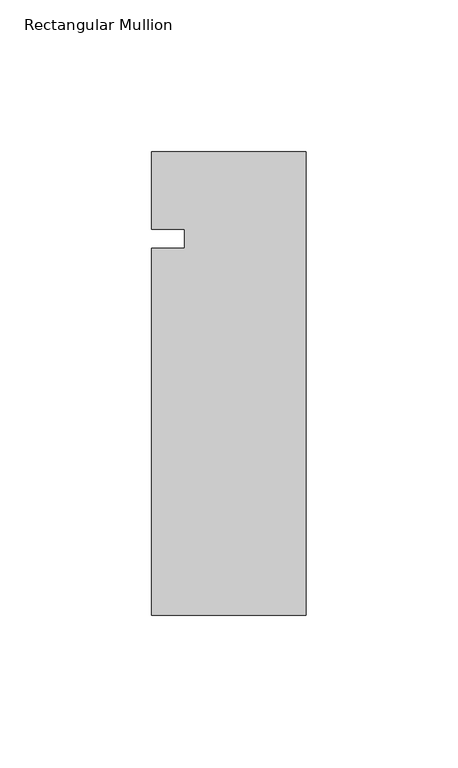
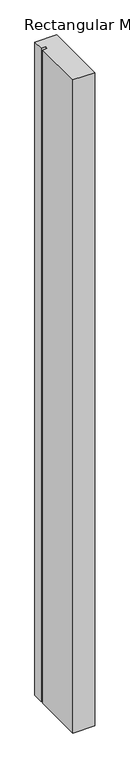
"""IFC4 building model written with IfcOpenShell, lengths in millimetres: member geometry, Rectangular Mullion."""

from ifc_helpers import new_model, si_unit, frame, origin, place, context, project, spatial, polyline, outline, extrude, source, transform, mapped, element, save


def rectangular_mullion_5285e61d(model_context):
    return source(origin(), model_context, "Body", "SweptSolid", [
        extrude(outline(polyline([(0.0, -152.4), (-50.8, -152.4), (-50.8, -31.75), (-40.0803063, -31.75), (-40.0803063, -25.4), (-50.8, -25.4), (-50.8, 0.0), (0.0, 0.0), (0.0, -152.4)])), frame((0.0, 0.0, -1600.200584), z_axis=(0.0, 0.0, 1.0), x_axis=(1.0, 0.0, 0.0)), (0.0, 0.0, 1.0), 1600.200584),
    ])


if __name__ == "__main__":
    model = new_model("IFC4")
    model_context = context("Model", 3, world=origin())
    ifc_project = project(units=[si_unit("LENGTHUNIT", "METRE", prefix="MILLI")], contexts=[model_context])
    site = spatial("IfcSite", under=ifc_project)
    building = spatial("IfcBuilding", under=site)
    placement = place(None, origin())
    rectangular_mullion_shape = rectangular_mullion_5285e61d(model_context)
    element("IfcMember", 1, ObjectType="Rectangular Mullion", at=placement, inside=building, context=model_context, shape_type="MappedRepresentation", body=[
        mapped(rectangular_mullion_shape, transform((0.0, 0.0, 0.0), x_axis=(1.0, 0.0, 0.0), y_axis=(0.0, 1.0, 0.0), z_axis=(0.0, 0.0, 1.0))),
    ])
    save(model, "model.ifc")
